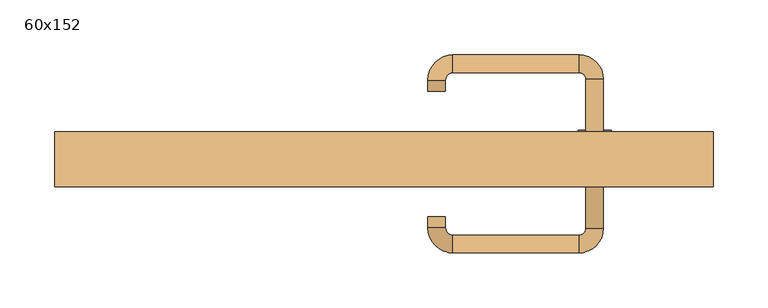
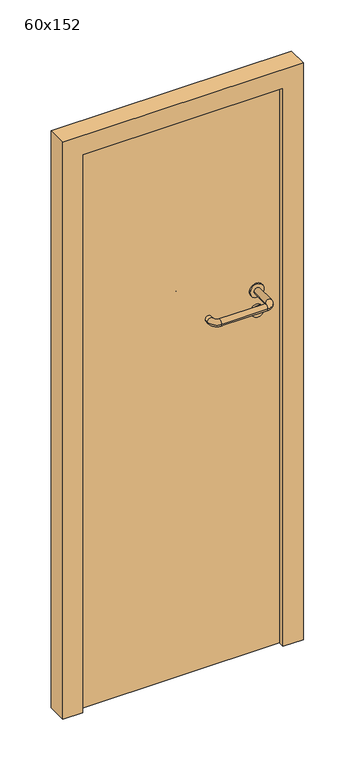
"""IFC4 building model written with IfcOpenShell, lengths in millimetres: door geometry, 60x152."""

from ifc_helpers import new_model, si_unit, point, frame, frame_2d, origin, origin_with_axes, place, context, project, spatial, polyline, circle_curve, ellipse_curve, trimmed, segment, composite_curve, outline, extrude, source, transform, mapped, element, save
from ifc_brep_helpers import plane_surface, cylinder_surface, revolved_surface, advanced_brep


def door_60x152_6d50448f(model_context):
    return source(origin(), model_context, "Body", "SolidModel", [
        extrude(outline(composite_curve([segment(trimmed(circle_curve(frame_2d((897.3605726, 192.0)), 15.0), [point((897.3605726, 207.0))], [point((897.3605726, 177.0))], False, "CARTESIAN"), True, "CONTINUOUS"), segment(trimmed(circle_curve(frame_2d((897.3605726, 192.0)), 15.0), [point((897.3605726, 177.0))], [point((897.3605726, 207.0))], False, "CARTESIAN"), True, "CONTINUOUS")], self_intersect=False), holes=[composite_curve([segment(trimmed(circle_curve(frame_2d((892.5833211, 191.9398032)), 2.0), [point((892.5833211, 193.9398032))], [point((892.5833211, 189.9398032))], True, "CARTESIAN"), True, "CONTINUOUS"), segment(polyline([(892.5833211, 189.9398032), (902.5833211, 189.9398032)]), True, "CONTINUOUS"), segment(trimmed(circle_curve(frame_2d((902.5833211, 191.9398032)), 2.0), [point((902.5833211, 189.9398032))], [point((902.5833211, 193.9398032))], True, "CARTESIAN"), True, "CONTINUOUS"), segment(polyline([(902.5833211, 193.9398032), (892.5833211, 193.9398032)]), True, "CONTINUOUS")], self_intersect=False)]), frame((0.0, 33.65, 0.0), z_axis=(0.0, 1.0, 0.0), x_axis=(0.0, 0.0, 1.0)), (0.0, 0.0, 1.0), 6.35),
        extrude(outline(composite_curve([segment(trimmed(circle_curve(frame_2d((950.0, 192.0)), 17.526), [point((950.0, 209.526))], [point((950.0, 174.474))], False, "CARTESIAN"), True, "CONTINUOUS"), segment(trimmed(circle_curve(frame_2d((950.0, 192.0)), 17.526), [point((950.0, 174.474))], [point((950.0, 209.526))], False, "CARTESIAN"), True, "CONTINUOUS")], self_intersect=False)), frame((0.0, 36.825, 0.0), z_axis=(0.0, 1.0, 0.0), x_axis=(0.0, 0.0, 1.0)), (0.0, 0.0, 1.0), 3.175),
        advanced_brep(
        [(200.0, 40.0, 950.0), (184.0, 40.0, 950.0), (184.0, -13.0, 950.0), (200.0, -13.0, 950.0), (177.8578644, -19.1421356, 950.0), (177.8578644, -35.1421356, 950.0), (62.8578644, -19.1421356, 950.0), (62.8578644, -35.1421356, 950.0), (56.008622, -12.2928932, 950.0), (40.008622, -12.2928932, 950.0), (40.008622, -2.2928932, 950.0), (56.008622, -2.2928932, 950.0)],
        [
            (0, 1, circle_curve(frame((192.0, 40.0, 950.0), z_axis=(0.0, 1.0, 0.0), x_axis=(-1.0, 0.0, 0.0)), 8.0)),
            (1, 0, circle_curve(frame((192.0, 40.0, 950.0), z_axis=(0.0, 1.0, 0.0), x_axis=(-1.0, 0.0, 0.0)), 8.0)),
            (1, 2),
            (2, 3, circle_curve(frame((192.0, -13.0, 950.0), z_axis=(0.0, 1.0, 0.0), x_axis=(-1.0, 0.0, 0.0)), 8.0)),
            (3, 0),
            (3, 2, circle_curve(frame((192.0, -13.0, 950.0), z_axis=(0.0, 1.0, 0.0), x_axis=(-1.0, 0.0, 0.0)), 8.0)),
            (4, 5, circle_curve(frame((177.8578644, -27.1421356, 950.0), z_axis=(1.0, 0.0, 0.0), x_axis=(0.0, 1.0, 0.0)), 8.0)),
            (5, 3, circle_curve(frame((177.8578644, -13.0, 950.0), z_axis=(0.0, 0.0, 1.0), x_axis=(1.0, 0.0, 0.0)), 22.1421356)),
            (2, 4, circle_curve(frame((177.8578644, -13.0, 950.0), z_axis=(0.0, 0.0, -1.0), x_axis=(1.0, 0.0, 0.0)), 6.1421356)),
            (5, 4, circle_curve(frame((177.8578644, -27.1421356, 950.0), z_axis=(1.0, 0.0, 0.0), x_axis=(0.0, 1.0, 0.0)), 8.0)),
            (4, 6),
            (6, 7, circle_curve(frame((62.8578644, -27.1421356, 950.0), z_axis=(1.0, 0.0, 0.0), x_axis=(0.0, 1.0, 0.0)), 8.0)),
            (7, 5),
            (7, 6, circle_curve(frame((62.8578644, -27.1421356, 950.0), z_axis=(1.0, 0.0, 0.0), x_axis=(0.0, 1.0, 0.0)), 8.0)),
            (8, 9, circle_curve(frame((48.008622, -12.2928932, 950.0), z_axis=(0.0, -1.0, 0.0), x_axis=(1.0, 0.0, 0.0)), 8.0)),
            (9, 7, circle_curve(frame((62.8578644, -12.2928932, 950.0), z_axis=(0.0, 0.0, 1.0), x_axis=(0.0, -1.0, 0.0)), 22.8492424)),
            (6, 8, circle_curve(frame((62.8578644, -12.2928932, 950.0), z_axis=(0.0, 0.0, -1.0), x_axis=(0.0, -1.0, 0.0)), 6.8492424)),
            (9, 8, circle_curve(frame((48.008622, -12.2928932, 950.0), z_axis=(0.0, -1.0, 0.0), x_axis=(1.0, 0.0, 0.0)), 8.0)),
            (10, 11, circle_curve(frame((48.008622, -2.2928932, 950.0), z_axis=(0.0, 1.0, 0.0), x_axis=(1.0, 0.0, 0.0)), 8.0)),
            (11, 10, circle_curve(frame((48.008622, -2.2928932, 950.0), z_axis=(0.0, 1.0, 0.0), x_axis=(1.0, 0.0, 0.0)), 8.0)),
            (8, 11),
            (10, 9),
        ],
        [
            plane_surface(frame((192.0, 40.0, 170.0), z_axis=(0.0, 1.0, 0.0), x_axis=(0.0, 0.0, 1.0))),
            cylinder_surface(frame((192.0, 40.0, 950.0), z_axis=(0.0, 1.0, 0.0), x_axis=(-1.0, 0.0, 0.0)), 8.0),
            revolved_surface(trimmed(ellipse_curve(frame((192.0, -13.0, 950.0), z_axis=(0.0, -1.0, 0.0), x_axis=(-1.0, 0.0, 0.0)), 8.0, 8.0), [point((200.0, -13.0, 950.0))], [point((184.0, -13.0, 950.0))], True, "CARTESIAN"), (177.8578644, -13.0, 170.0), (0.0, 0.0, 1.0)),
            revolved_surface(trimmed(ellipse_curve(frame((192.0, -13.0, 950.0), z_axis=(0.0, -1.0, 0.0), x_axis=(-1.0, 0.0, 0.0)), 8.0, 8.0), [point((184.0, -13.0, 950.0))], [point((200.0, -13.0, 950.0))], True, "CARTESIAN"), (177.8578644, -13.0, 170.0), (0.0, 0.0, 1.0)),
            cylinder_surface(frame((177.8578644, -27.1421356, 950.0), z_axis=(1.0, 0.0, 0.0), x_axis=(0.0, 1.0, 0.0)), 8.0),
            revolved_surface(trimmed(ellipse_curve(frame((62.8578644, -27.1421356, 950.0), z_axis=(-1.0, 0.0, 0.0), x_axis=(0.0, 1.0, 0.0)), 8.0, 8.0), [point((62.8578644, -35.1421356, 950.0))], [point((62.8578644, -19.1421356, 950.0))], True, "CARTESIAN"), (62.8578644, -12.2928932, 170.0), (0.0, 0.0, 1.0)),
            revolved_surface(trimmed(ellipse_curve(frame((62.8578644, -27.1421356, 950.0), z_axis=(-1.0, 0.0, 0.0), x_axis=(0.0, 1.0, 0.0)), 8.0, 8.0), [point((62.8578644, -19.1421356, 950.0))], [point((62.8578644, -35.1421356, 950.0))], True, "CARTESIAN"), (62.8578644, -12.2928932, 170.0), (0.0, 0.0, 1.0)),
            plane_surface(frame((48.008622, -2.2928932, 170.0), z_axis=(0.0, 1.0, 0.0), x_axis=(0.0, 0.0, 1.0))),
            cylinder_surface(frame((48.008622, -12.2928932, 950.0), z_axis=(0.0, -1.0, 0.0), x_axis=(1.0, 0.0, 0.0)), 8.0),
        ],
        [
            (0, [[1, 2]]),
            (1, [[3, 4, 5, -2]]),
            (1, [[-5, 6, -3, -1]]),
            (2, [[7, 8, -4, 9]]),
            (3, [[10, -9, -6, -8]]),
            (4, [[11, 12, 13, -7]]),
            (4, [[-13, 14, -11, -10]]),
            (5, [[15, 16, -12, 17]]),
            (6, [[18, -17, -14, -16]]),
            (7, [[19, 20]]),
            (8, [[21, -19, 22, -15]]),
            (8, [[-22, -20, -21, -18]]),
        ],
    ),
        extrude(outline(composite_curve([segment(trimmed(circle_curve(frame_2d((0.0, -15.0)), 15.0), [point((0.0, -30.0))], [point((0.0, 0.0))], False, "CARTESIAN"), True, "CONTINUOUS"), segment(trimmed(circle_curve(frame_2d((0.0, -15.0)), 15.0), [point((0.0, 0.0))], [point((0.0, -30.0))], False, "CARTESIAN"), True, "CONTINUOUS")], self_intersect=False), holes=[composite_curve([segment(trimmed(circle_curve(frame_2d((4.7772515, -14.9398032)), 2.0), [point((4.7772515, -16.9398032))], [point((4.7772515, -12.9398032))], True, "CARTESIAN"), True, "CONTINUOUS"), segment(polyline([(4.7772515, -12.9398032), (-5.2227485, -12.9398032)]), True, "CONTINUOUS"), segment(trimmed(circle_curve(frame_2d((-5.2227485, -14.9398032)), 2.0), [point((-5.2227485, -12.9398032))], [point((-5.2227485, -16.9398032))], True, "CARTESIAN"), True, "CONTINUOUS"), segment(polyline([(-5.2227485, -16.9398032), (4.7772515, -16.9398032)]), True, "CONTINUOUS")], self_intersect=False)]), frame((177.0, 70.0, 897.3605726), z_axis=(1.8870575173328306e-12, 1.0, 0.0), x_axis=(0.0, 0.0, -1.0)), (0.0, 0.0, 1.0), 6.35),
        extrude(outline(composite_curve([segment(trimmed(circle_curve(frame_2d((0.0, -17.526)), 17.526), [point((0.0, -35.052))], [point((0.0, 0.0))], False, "CARTESIAN"), True, "CONTINUOUS"), segment(trimmed(circle_curve(frame_2d((0.0, -17.526)), 17.526), [point((0.0, 0.0))], [point((0.0, -35.052))], False, "CARTESIAN"), True, "CONTINUOUS")], self_intersect=False)), frame((174.474, 70.0, 950.0), z_axis=(1.8870575173328306e-12, 1.0, 0.0), x_axis=(0.0, 0.0, -1.0)), (0.0, 0.0, 1.0), 3.175),
        advanced_brep(
        [(200.0, 70.0, 950.0), (184.0, 70.0, 950.0), (200.0, 123.0, 950.0), (184.0, 123.0, 950.0), (177.8578644, 129.1421356, 950.0), (177.8578644, 145.1421356, 950.0), (62.8578644, 145.1421356, 950.0), (62.8578644, 129.1421356, 950.0), (56.008622, 122.2928932, 950.0), (40.008622, 122.2928932, 950.0), (40.008622, 112.2928932, 950.0), (56.008622, 112.2928932, 950.0)],
        [
            (0, 1, circle_curve(frame((192.0, 70.0, 950.0), z_axis=(-1.888672253512351e-12, -1.0, 0.0), x_axis=(-1.0, 1.888672253512351e-12, 0.0)), 8.0)),
            (1, 0, circle_curve(frame((192.0, 70.0, 950.0), z_axis=(-1.888672253512351e-12, -1.0, 0.0), x_axis=(-1.0, 1.888672253512351e-12, 0.0)), 8.0)),
            (0, 2),
            (2, 3, circle_curve(frame((192.0, 123.0, 950.0), z_axis=(-1.888672253512351e-12, -1.0, 0.0), x_axis=(-1.0, 1.888672253512351e-12, 0.0)), 8.0)),
            (3, 1),
            (3, 2, circle_curve(frame((192.0, 123.0, 950.0), z_axis=(-1.888672253512351e-12, -1.0, 0.0), x_axis=(-1.0, 1.888672253512351e-12, 0.0)), 8.0)),
            (4, 3, circle_curve(frame((177.8578644, 123.0, 950.0), z_axis=(0.0, 0.0, -1.0), x_axis=(1.0, -1.880717803715015e-12, 0.0)), 6.1421356)),
            (2, 5, circle_curve(frame((177.8578644, 123.0, 950.0), z_axis=(0.0, 0.0, 1.0), x_axis=(1.0, -1.880717803715015e-12, 0.0)), 22.1421356)),
            (5, 4, circle_curve(frame((177.8578644, 137.1421356, 950.0), z_axis=(1.0, -1.913702061528922e-12, 0.0), x_axis=(-1.913702061528922e-12, -1.0, 0.0)), 8.0)),
            (4, 5, circle_curve(frame((177.8578644, 137.1421356, 950.0), z_axis=(1.0, -1.913702061528922e-12, 0.0), x_axis=(-1.913702061528922e-12, -1.0, 0.0)), 8.0)),
            (5, 6),
            (6, 7, circle_curve(frame((62.8578644, 137.1421356, 950.0), z_axis=(1.0, -1.913719828541269e-12, 0.0), x_axis=(-1.913719828541269e-12, -1.0, 0.0)), 8.0)),
            (7, 4),
            (7, 6, circle_curve(frame((62.8578644, 137.1421356, 950.0), z_axis=(1.0, -1.913719828541269e-12, 0.0), x_axis=(-1.913719828541269e-12, -1.0, 0.0)), 8.0)),
            (8, 7, circle_curve(frame((62.8578644, 122.2928932, 950.0), z_axis=(0.0, 0.0, -1.0), x_axis=(1.9120873253494017e-12, 1.0, 0.0)), 6.8492424)),
            (6, 9, circle_curve(frame((62.8578644, 122.2928932, 950.0), z_axis=(0.0, 0.0, 1.0), x_axis=(1.9120873253494017e-12, 1.0, 0.0)), 22.8492424)),
            (9, 8, circle_curve(frame((48.008622, 122.2928932, 950.0), z_axis=(1.890670654956676e-12, 1.0, 0.0), x_axis=(1.0, -1.890670654956676e-12, 0.0)), 8.0)),
            (8, 9, circle_curve(frame((48.008622, 122.2928932, 950.0), z_axis=(1.890226565746826e-12, 1.0, 0.0), x_axis=(1.0, -1.890226565746826e-12, 0.0)), 8.0)),
            (10, 11, circle_curve(frame((48.008622, 112.2928932, 950.0), z_axis=(-1.8903642334018795e-12, -1.0, 0.0), x_axis=(1.0, -1.8903642334018795e-12, 0.0)), 8.0)),
            (11, 10, circle_curve(frame((48.008622, 112.2928932, 950.0), z_axis=(-1.8903642334018795e-12, -1.0, 0.0), x_axis=(1.0, -1.8903642334018795e-12, 0.0)), 8.0)),
            (9, 10),
            (11, 8),
        ],
        [
            plane_surface(frame((192.0, 70.0, 170.0), z_axis=(-1.8870575173328306e-12, -1.0, 0.0), x_axis=(0.0, 0.0, 1.0))),
            cylinder_surface(frame((192.0, 70.0, 950.0), z_axis=(-1.888672253512351e-12, -1.0, 0.0), x_axis=(-1.0, 1.888672253512351e-12, 0.0)), 8.0),
            revolved_surface(trimmed(ellipse_curve(frame((192.0, 123.0, 950.0), z_axis=(-1.8823325398945356e-12, -1.0, 0.0), x_axis=(-1.0, 1.8823325398945356e-12, 0.0)), 8.0, 8.0), [point((200.0, 123.0, 950.0))], [point((184.0, 123.0, 950.0))], True, "CARTESIAN"), (177.8578644, 123.0, 170.0), (0.0, 0.0, 1.0)),
            revolved_surface(trimmed(ellipse_curve(frame((192.0, 123.0, 950.0), z_axis=(-1.8823325398945356e-12, -1.0, 0.0), x_axis=(-1.0, 1.8823325398945356e-12, 0.0)), 8.0, 8.0), [point((184.0, 123.0, 950.0))], [point((200.0, 123.0, 950.0))], True, "CARTESIAN"), (177.8578644, 123.0, 170.0), (0.0, 0.0, 1.0)),
            cylinder_surface(frame((177.8578644, 137.1421356, 950.0), z_axis=(1.0, -1.913719828541269e-12, 0.0), x_axis=(-1.913719828541269e-12, -1.0, 0.0)), 8.0),
            revolved_surface(trimmed(ellipse_curve(frame((62.8578644, 137.1421356, 950.0), z_axis=(1.0, -1.913702061528922e-12, 0.0), x_axis=(-1.913702061528922e-12, -1.0, 0.0)), 8.0, 8.0), [point((62.8578644, 145.1421356, 950.0))], [point((62.8578644, 129.1421356, 950.0))], True, "CARTESIAN"), (62.8578644, 122.2928932, 170.0), (0.0, 0.0, 1.0)),
            revolved_surface(trimmed(ellipse_curve(frame((62.8578644, 137.1421356, 950.0), z_axis=(1.0, -1.913702061528922e-12, 0.0), x_axis=(-1.913702061528922e-12, -1.0, 0.0)), 8.0, 8.0), [point((62.8578644, 129.1421356, 950.0))], [point((62.8578644, 145.1421356, 950.0))], True, "CARTESIAN"), (62.8578644, 122.2928932, 170.0), (0.0, 0.0, 1.0)),
            plane_surface(frame((48.008622, 112.2928932, 170.0), z_axis=(-1.8887494972223595e-12, -1.0, 0.0), x_axis=(0.0, 0.0, 1.0))),
            cylinder_surface(frame((48.008622, 122.2928932, 950.0), z_axis=(1.8903642334018795e-12, 1.0, 0.0), x_axis=(1.0, -1.8903642334018795e-12, 0.0)), 8.0),
        ],
        [
            (0, [[1, 2]]),
            (1, [[-1, 3, 4, 5]]),
            (1, [[-2, -5, 6, -3]]),
            (2, [[7, -4, 8, 9]]),
            (3, [[-8, -6, -7, 10]]),
            (4, [[-9, 11, 12, 13]]),
            (4, [[-10, -13, 14, -11]]),
            (5, [[15, -12, 16, 17]]),
            (6, [[-16, -14, -15, 18]]),
            (7, [[19, 20]]),
            (8, [[-17, 21, -20, 22]]),
            (8, [[-18, -22, -19, -21]]),
        ],
    ),
        extrude(outline(polyline([(1470.0, 250.0), (0.0, 250.0), (0.0, 300.0), (1520.0, 300.0), (1520.0, -300.0), (0.0, -300.0), (0.0, -250.0), (1470.0, -250.0), (1470.0, 250.0)])), frame((0.0, 25.0, 0.0), z_axis=(0.0, 1.0, 0.0), x_axis=(0.0, 0.0, 1.0)), (0.0, 0.0, 1.0), 50.0),
        extrude(outline(polyline([(-250.0, 70.0), (250.0, 70.0), (250.0, 40.0), (-250.0, 40.0), (-250.0, 70.0)])), origin_with_axes(), (0.0, 0.0, 1.0), 1470.0),
    ])


if __name__ == "__main__":
    model = new_model("IFC4")
    model_context = context("Model", 3, world=origin())
    ifc_project = project(units=[si_unit("LENGTHUNIT", "METRE", prefix="MILLI")], contexts=[model_context])
    site = spatial("IfcSite", under=ifc_project)
    building = spatial("IfcBuilding", under=site)
    placement = place(None, origin())
    door_60x152_shape = door_60x152_6d50448f(model_context)
    element("IfcDoor", 1, ObjectType="60x152", at=placement, inside=building, context=model_context, shape_type="MappedRepresentation", body=[
        mapped(door_60x152_shape, transform((0.0, 0.0, 0.0), x_axis=(1.0, 0.0, 0.0), y_axis=(0.0, 1.0, 0.0), z_axis=(0.0, 0.0, 1.0))),
    ])
    save(model, "model.ifc")
